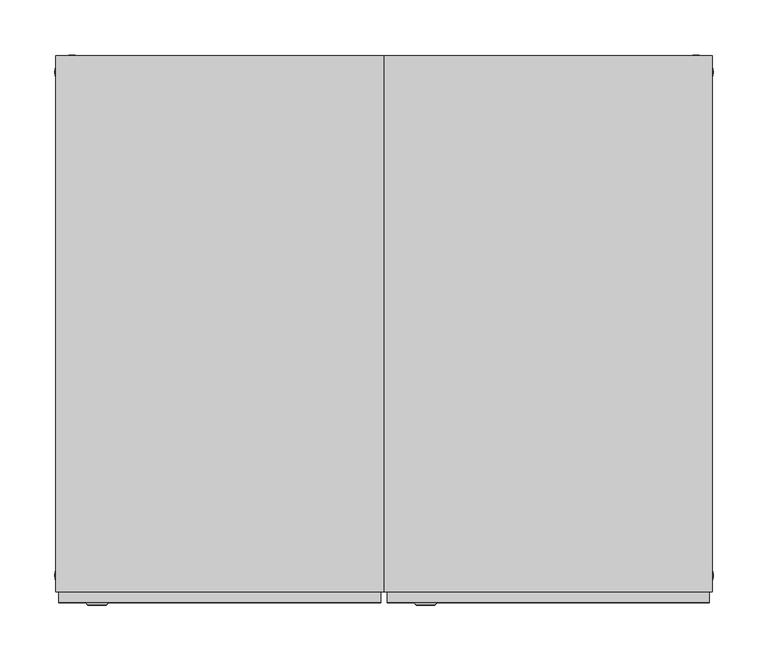
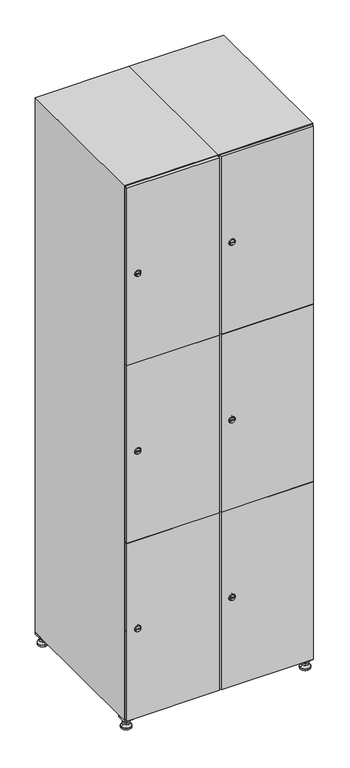
"""IFC4 building model written with IfcOpenShell, lengths in millimetres: furniture geometry."""

from ifc_helpers import new_model, si_unit, point, frame, frame_2d, origin, origin_with_axes, place, context, project, spatial, polyline, circle_curve, trimmed, segment, composite_curve, outline, extrude, faceted_brep, source, transform, mapped, element, save
from ifc_brep_helpers import plane_surface, revolved_surface, advanced_brep


def furniture_bef6fcc5(model_context):
    return source(origin(), model_context, "Body", "SolidModel", [
        extrude(outline(polyline([(400.0, 245.0), (400.0, 215.0), (370.0, 215.0), (370.0, 245.0), (400.0, 245.0)]), holes=[polyline([(398.0, 243.0), (372.0, 243.0), (372.0, 217.0), (398.0, 217.0), (398.0, 243.0)])]), frame((0.0, 0.0, 28.5), z_axis=(0.0, 0.0, 1.0), x_axis=(1.0, 0.0, 0.0)), (0.0, 0.0, 1.0), 6.5),
        extrude(outline(polyline([(370.0, -245.0), (370.0, -215.0), (400.0, -215.0), (400.0, -245.0), (370.0, -245.0)]), holes=[polyline([(372.0, -243.0), (398.0, -243.0), (398.0, -217.0), (372.0, -217.0), (372.0, -243.0)])]), frame((0.0, 0.0, 28.5), z_axis=(0.0, 0.0, 1.0), x_axis=(1.0, 0.0, 0.0)), (0.0, 0.0, 1.0), 6.5),
        extrude(outline(polyline([(-170.0, 245.0), (-170.0, 215.0), (-200.0, 215.0), (-200.0, 245.0), (-170.0, 245.0)]), holes=[polyline([(-172.0, 243.0), (-198.0, 243.0), (-198.0, 217.0), (-172.0, 217.0), (-172.0, 243.0)])]), frame((0.0, 0.0, 28.5), z_axis=(0.0, 0.0, 1.0), x_axis=(1.0, 0.0, 0.0)), (0.0, 0.0, 1.0), 6.5),
        extrude(outline(polyline([(-170.0, -215.0), (-170.0, -245.0), (-200.0, -245.0), (-200.0, -215.0), (-170.0, -215.0)]), holes=[polyline([(-198.0, -243.0), (-172.0, -243.0), (-172.0, -217.0), (-198.0, -217.0), (-198.0, -243.0)])]), frame((0.0, 0.0, 28.5), z_axis=(0.0, 0.0, 1.0), x_axis=(1.0, 0.0, 0.0)), (0.0, 0.0, 1.0), 6.5),
        extrude(outline(composite_curve([segment(trimmed(circle_curve(frame_2d((-185.0, 230.0)), 5.0), [point((-180.0, 230.0))], [point((-190.0, 230.0))], False, "CARTESIAN"), True, "CONTINUOUS"), segment(trimmed(circle_curve(frame_2d((-185.0, 230.0)), 5.0), [point((-190.0, 230.0))], [point((-180.0, 230.0))], False, "CARTESIAN"), True, "CONTINUOUS")], self_intersect=False)), frame((0.0, 0.0, 19.6), z_axis=(0.0, 0.0, 1.0), x_axis=(1.0, 0.0, 0.0)), (0.0, 0.0, 1.0), 15.4),
        extrude(outline(composite_curve([segment(trimmed(circle_curve(frame_2d((-185.0, -230.0)), 5.0), [point((-180.0, -230.0))], [point((-190.0, -230.0))], False, "CARTESIAN"), True, "CONTINUOUS"), segment(trimmed(circle_curve(frame_2d((-185.0, -230.0)), 5.0), [point((-190.0, -230.0))], [point((-180.0, -230.0))], False, "CARTESIAN"), True, "CONTINUOUS")], self_intersect=False)), frame((0.0, 0.0, 19.6), z_axis=(0.0, 0.0, 1.0), x_axis=(1.0, 0.0, 0.0)), (0.0, 0.0, 1.0), 15.4),
        extrude(outline(composite_curve([segment(trimmed(circle_curve(frame_2d((385.0, 230.0)), 5.0), [point((390.0, 230.0))], [point((380.0, 230.0))], False, "CARTESIAN"), True, "CONTINUOUS"), segment(trimmed(circle_curve(frame_2d((385.0, 230.0)), 5.0), [point((380.0, 230.0))], [point((390.0, 230.0))], False, "CARTESIAN"), True, "CONTINUOUS")], self_intersect=False)), frame((0.0, 0.0, 19.6), z_axis=(0.0, 0.0, 1.0), x_axis=(1.0, 0.0, 0.0)), (0.0, 0.0, 1.0), 15.4),
        extrude(outline(polyline([(373.4529946, 230.0), (379.2264973, 240.0), (390.7735027, 240.0), (396.5470054, 230.0), (390.7735027, 220.0), (379.2264973, 220.0), (373.4529946, 230.0)])), frame((0.0, 0.0, 13.6), z_axis=(0.0, 0.0, 1.0), x_axis=(1.0, 0.0, 0.0)), (0.0, 0.0, 1.0), 6.0),
        extrude(outline(composite_curve([segment(trimmed(circle_curve(frame_2d((385.0, -230.0)), 5.0), [point((390.0, -230.0))], [point((380.0, -230.0))], False, "CARTESIAN"), True, "CONTINUOUS"), segment(trimmed(circle_curve(frame_2d((385.0, -230.0)), 5.0), [point((380.0, -230.0))], [point((390.0, -230.0))], False, "CARTESIAN"), True, "CONTINUOUS")], self_intersect=False)), frame((0.0, 0.0, 19.6), z_axis=(0.0, 0.0, 1.0), x_axis=(1.0, 0.0, 0.0)), (0.0, 0.0, 1.0), 15.4),
        extrude(outline(polyline([(373.4529946, -230.0), (379.2264973, -220.0), (390.7735027, -220.0), (396.5470054, -230.0), (390.7735027, -240.0), (379.2264973, -240.0), (373.4529946, -230.0)])), frame((0.0, 0.0, 13.6), z_axis=(0.0, 0.0, 1.0), x_axis=(1.0, 0.0, 0.0)), (0.0, 0.0, 1.0), 6.0),
        extrude(outline(composite_curve([segment(trimmed(circle_curve(frame_2d((385.0, 230.0)), 5.0), [point((390.0, 230.0))], [point((380.0, 230.0))], False, "CARTESIAN"), True, "CONTINUOUS"), segment(trimmed(circle_curve(frame_2d((385.0, 230.0)), 5.0), [point((380.0, 230.0))], [point((390.0, 230.0))], False, "CARTESIAN"), True, "CONTINUOUS")], self_intersect=False)), frame((0.0, 0.0, 12.1), z_axis=(0.0, 0.0, 1.0), x_axis=(1.0, 0.0, 0.0)), (0.0, 0.0, 1.0), 1.5),
        extrude(outline(composite_curve([segment(trimmed(circle_curve(frame_2d((385.0, -230.0)), 5.0), [point((390.0, -230.0))], [point((380.0, -230.0))], False, "CARTESIAN"), True, "CONTINUOUS"), segment(trimmed(circle_curve(frame_2d((385.0, -230.0)), 5.0), [point((380.0, -230.0))], [point((390.0, -230.0))], False, "CARTESIAN"), True, "CONTINUOUS")], self_intersect=False)), frame((0.0, 0.0, 12.1), z_axis=(0.0, 0.0, 1.0), x_axis=(1.0, 0.0, 0.0)), (0.0, 0.0, 1.0), 1.5),
        extrude(outline(polyline([(-196.5470054, 230.0), (-190.7735027, 240.0), (-179.2264973, 240.0), (-173.4529946, 230.0), (-179.2264973, 220.0), (-190.7735027, 220.0), (-196.5470054, 230.0)])), frame((0.0, 0.0, 13.6), z_axis=(0.0, 0.0, 1.0), x_axis=(1.0, 0.0, 0.0)), (0.0, 0.0, 1.0), 6.0),
        extrude(outline(polyline([(-196.5470054, -230.0), (-190.7735027, -220.0), (-179.2264973, -220.0), (-173.4529946, -230.0), (-179.2264973, -240.0), (-190.7735027, -240.0), (-196.5470054, -230.0)])), frame((0.0, 0.0, 13.6), z_axis=(0.0, 0.0, 1.0), x_axis=(1.0, 0.0, 0.0)), (0.0, 0.0, 1.0), 6.0),
        extrude(outline(composite_curve([segment(trimmed(circle_curve(frame_2d((-185.0, 230.0)), 5.0), [point((-185.0, 235.0))], [point((-185.0, 225.0))], False, "CARTESIAN"), True, "CONTINUOUS"), segment(trimmed(circle_curve(frame_2d((-185.0, 230.0)), 5.0), [point((-185.0, 225.0))], [point((-185.0, 235.0))], False, "CARTESIAN"), True, "CONTINUOUS")], self_intersect=False)), frame((0.0, 0.0, 12.1), z_axis=(0.0, 0.0, 1.0), x_axis=(1.0, 0.0, 0.0)), (0.0, 0.0, 1.0), 1.5),
        extrude(outline(composite_curve([segment(trimmed(circle_curve(frame_2d((-185.0, -230.0)), 5.0), [point((-180.0, -230.0))], [point((-190.0, -230.0))], False, "CARTESIAN"), True, "CONTINUOUS"), segment(trimmed(circle_curve(frame_2d((-185.0, -230.0)), 5.0), [point((-190.0, -230.0))], [point((-180.0, -230.0))], False, "CARTESIAN"), True, "CONTINUOUS")], self_intersect=False)), frame((0.0, 0.0, 12.1), z_axis=(0.0, 0.0, 1.0), x_axis=(1.0, 0.0, 0.0)), (0.0, 0.0, 1.0), 1.5),
        extrude(outline(composite_curve([segment(trimmed(circle_curve(frame_2d((385.0, 230.0)), 15.75), [point((400.75, 230.0))], [point((369.25, 230.0))], False, "CARTESIAN"), True, "CONTINUOUS"), segment(trimmed(circle_curve(frame_2d((385.0, 230.0)), 15.75), [point((369.25, 230.0))], [point((400.75, 230.0))], False, "CARTESIAN"), True, "CONTINUOUS")], self_intersect=False)), origin_with_axes(), (0.0, 0.0, 1.0), 5.1),
        extrude(outline(composite_curve([segment(trimmed(circle_curve(frame_2d((385.0, -230.0)), 15.75), [point((385.0, -214.25))], [point((385.0, -245.75))], False, "CARTESIAN"), True, "CONTINUOUS"), segment(trimmed(circle_curve(frame_2d((385.0, -230.0)), 15.75), [point((385.0, -245.75))], [point((385.0, -214.25))], False, "CARTESIAN"), True, "CONTINUOUS")], self_intersect=False)), origin_with_axes(), (0.0, 0.0, 1.0), 5.1),
        extrude(outline(composite_curve([segment(trimmed(circle_curve(frame_2d((-185.0, -230.0)), 15.75), [point((-169.25, -230.0))], [point((-200.75, -230.0))], False, "CARTESIAN"), True, "CONTINUOUS"), segment(trimmed(circle_curve(frame_2d((-185.0, -230.0)), 15.75), [point((-200.75, -230.0))], [point((-169.25, -230.0))], False, "CARTESIAN"), True, "CONTINUOUS")], self_intersect=False)), origin_with_axes(), (0.0, 0.0, 1.0), 5.1),
        extrude(outline(composite_curve([segment(trimmed(circle_curve(frame_2d((-185.0, 230.0)), 15.75), [point((-169.25, 230.0))], [point((-200.75, 230.0))], False, "CARTESIAN"), True, "CONTINUOUS"), segment(trimmed(circle_curve(frame_2d((-185.0, 230.0)), 15.75), [point((-200.75, 230.0))], [point((-169.25, 230.0))], False, "CARTESIAN"), True, "CONTINUOUS")], self_intersect=False)), origin_with_axes(), (0.0, 0.0, 1.0), 5.1),
        advanced_brep(
        [(-185.0, 239.5, 12.1), (-185.0, 220.5, 12.1), (-185.0, 214.25, 5.1), (-185.0, 245.75, 5.1)],
        [
            (0, 1, circle_curve(frame((-185.0, 230.0, 12.1), z_axis=(0.0, 0.0, -1.0), x_axis=(0.0, 1.0, 0.0)), 9.5)),
            (1, 2),
            (2, 3, circle_curve(frame((-185.0, 230.0, 5.1), z_axis=(0.0, 0.0, 1.0), x_axis=(0.0, 1.0, 0.0)), 15.75)),
            (3, 0),
            (1, 0, circle_curve(frame((-185.0, 230.0, 12.1), z_axis=(0.0, 0.0, -1.0), x_axis=(0.0, -1.0, 0.0)), 9.5)),
            (3, 2, circle_curve(frame((-185.0, 230.0, 5.1), z_axis=(0.0, 0.0, 1.0), x_axis=(0.0, -1.0, 0.0)), 15.75)),
        ],
        [
            revolved_surface(polyline([(-185.0, 220.5, 12.099999999999998), (-185.0, 214.25, 5.099999999999998)]), (-185.0, 230.0, 22.74), (0.0, 0.0, -1.0)),
            revolved_surface(polyline([(-185.0, 239.5, 12.099999999999998), (-185.0, 245.75, 5.099999999999998)]), (-185.0, 230.0, 22.74), (0.0, 0.0, -1.0)),
            plane_surface(frame((-185.0, 230.0, 5.1), z_axis=(0.0, 0.0, -1.0), x_axis=(1.0, 0.0, 0.0))),
            plane_surface(frame((-185.0, 230.0, 12.1), z_axis=(0.0, 0.0, 1.0), x_axis=(1.0, 0.0, 0.0))),
        ],
        [
            (0, [[1, 2, 3, 4]]),
            (1, [[5, -4, 6, -2]]),
            (2, [[-3, -6]]),
            (3, [[-5, -1]]),
        ],
    ),
        advanced_brep(
        [(385.0, 239.5, 12.1), (385.0, 220.5, 12.1), (385.0, 214.25, 5.1), (385.0, 245.75, 5.1)],
        [
            (0, 1, circle_curve(frame((385.0, 230.0, 12.1), z_axis=(0.0, 0.0, -1.0), x_axis=(0.0, 1.0, 0.0)), 9.5)),
            (1, 2),
            (2, 3, circle_curve(frame((385.0, 230.0, 5.1), z_axis=(0.0, 0.0, 1.0), x_axis=(0.0, 1.0, 0.0)), 15.75)),
            (3, 0),
            (1, 0, circle_curve(frame((385.0, 230.0, 12.1), z_axis=(0.0, 0.0, -1.0), x_axis=(0.0, -1.0, 0.0)), 9.5)),
            (3, 2, circle_curve(frame((385.0, 230.0, 5.1), z_axis=(0.0, 0.0, 1.0), x_axis=(0.0, -1.0, 0.0)), 15.75)),
        ],
        [
            revolved_surface(polyline([(385.0, 220.5, 12.099999999999998), (385.0, 214.25, 5.099999999999998)]), (385.0, 230.0, 22.74), (0.0, 0.0, -1.0)),
            revolved_surface(polyline([(385.0, 239.5, 12.099999999999998), (385.0, 245.75, 5.099999999999998)]), (385.0, 230.0, 22.74), (0.0, 0.0, -1.0)),
            plane_surface(frame((385.0, 230.0, 5.1), z_axis=(0.0, 0.0, -1.0), x_axis=(1.0, 0.0, 0.0))),
            plane_surface(frame((385.0, 230.0, 12.1), z_axis=(0.0, 0.0, 1.0), x_axis=(1.0, 0.0, 0.0))),
        ],
        [
            (0, [[1, 2, 3, 4]]),
            (1, [[5, -4, 6, -2]]),
            (2, [[-3, -6]]),
            (3, [[-5, -1]]),
        ],
    ),
        advanced_brep(
        [(400.75, -230.0, 5.1), (369.25, -230.0, 5.1), (375.5, -230.0, 12.1), (394.5, -230.0, 12.1)],
        [
            (0, 1, circle_curve(frame((385.0, -230.0, 5.1), z_axis=(0.0, 0.0, 1.0), x_axis=(1.0, 0.0, 0.0)), 15.75)),
            (1, 2),
            (2, 3, circle_curve(frame((385.0, -230.0, 12.1), z_axis=(0.0, 0.0, -1.0), x_axis=(1.0, 0.0, 0.0)), 9.5)),
            (3, 0),
            (1, 0, circle_curve(frame((385.0, -230.0, 5.1), z_axis=(0.0, 0.0, 1.0), x_axis=(-1.0, 0.0, 0.0)), 15.75)),
            (3, 2, circle_curve(frame((385.0, -230.0, 12.1), z_axis=(0.0, 0.0, -1.0), x_axis=(-1.0, 0.0, 0.0)), 9.5)),
        ],
        [
            revolved_surface(polyline([(394.5, -230.0, 12.099999999999998), (400.75, -230.0, 5.099999999999998)]), (385.0, -230.0, 22.74), (0.0, 0.0, -1.0)),
            revolved_surface(polyline([(375.5, -230.0, 12.099999999999998), (369.25, -230.0, 5.099999999999998)]), (385.0, -230.0, 22.74), (0.0, 0.0, -1.0)),
            plane_surface(frame((385.0, -230.0, 12.1), z_axis=(0.0, 0.0, 1.0), x_axis=(0.0, 1.0, 0.0))),
            plane_surface(frame((385.0, -230.0, 5.1), z_axis=(0.0, 0.0, -1.0), x_axis=(0.0, 1.0, 0.0))),
        ],
        [
            (0, [[1, 2, 3, 4]]),
            (1, [[5, -4, 6, -2]]),
            (2, [[-3, -6]]),
            (3, [[-5, -1]]),
        ],
    ),
        advanced_brep(
        [(-169.25, -230.0, 5.1), (-200.75, -230.0, 5.1), (-194.5, -230.0, 12.1), (-175.5, -230.0, 12.1)],
        [
            (0, 1, circle_curve(frame((-185.0, -230.0, 5.1), z_axis=(0.0, 0.0, 1.0), x_axis=(1.0, 0.0, 0.0)), 15.75)),
            (1, 2),
            (2, 3, circle_curve(frame((-185.0, -230.0, 12.1), z_axis=(0.0, 0.0, -1.0), x_axis=(1.0, 0.0, 0.0)), 9.5)),
            (3, 0),
            (1, 0, circle_curve(frame((-185.0, -230.0, 5.1), z_axis=(0.0, 0.0, 1.0), x_axis=(-1.0, 0.0, 0.0)), 15.75)),
            (3, 2, circle_curve(frame((-185.0, -230.0, 12.1), z_axis=(0.0, 0.0, -1.0), x_axis=(-1.0, 0.0, 0.0)), 9.5)),
        ],
        [
            revolved_surface(polyline([(-175.5, -230.0, 12.099999999999998), (-169.25, -230.0, 5.099999999999998)]), (-185.0, -230.0, 22.74), (0.0, 0.0, -1.0)),
            revolved_surface(polyline([(-194.5, -230.0, 12.099999999999998), (-200.75, -230.0, 5.099999999999998)]), (-185.0, -230.0, 22.74), (0.0, 0.0, -1.0)),
            plane_surface(frame((-185.0, -230.0, 12.1), z_axis=(0.0, 0.0, 1.0), x_axis=(0.0, 1.0, 0.0))),
            plane_surface(frame((-185.0, -230.0, 5.1), z_axis=(0.0, 0.0, -1.0), x_axis=(0.0, 1.0, 0.0))),
        ],
        [
            (0, [[1, 2, 3, 4]]),
            (1, [[5, -4, 6, -2]]),
            (2, [[-3, -6]]),
            (3, [[-5, -1]]),
        ],
    ),
        extrude(outline(composite_curve([segment(trimmed(circle_curve(frame_2d((337.0, 111.2010534)), 7.0), [point((344.0, 111.2010534))], [point((330.0, 111.2010534))], False, "CARTESIAN"), True, "CONTINUOUS"), segment(polyline([(330.0, 111.2010534), (330.0, 139.2010534)]), True, "CONTINUOUS"), segment(trimmed(circle_curve(frame_2d((337.0, 139.2010534)), 7.0), [point((330.0, 139.2010534))], [point((344.0, 139.2010534))], False, "CARTESIAN"), True, "CONTINUOUS"), segment(polyline([(344.0, 139.2010534), (344.0, 111.2010534)]), True, "CONTINUOUS")], self_intersect=False)), frame((0.0, -245.0, 0.0), z_axis=(0.0, 1.0, 0.0), x_axis=(0.0, 0.0, 1.0)), (0.0, 0.0, 1.0), 2.0),
        advanced_brep(
        [(146.5, -257.2, 337.0), (129.5, -257.2, 337.0), (133.0, -257.2, 335.75), (133.0, -257.2, 338.25), (143.0, -257.2, 338.25), (143.0, -257.2, 335.75), (148.5, -255.0, 337.0), (127.5, -255.0, 337.0), (133.0, -255.0, 338.25), (133.0, -255.0, 335.75), (143.0, -255.0, 335.75), (143.0, -255.0, 338.25)],
        [
            (0, 1, circle_curve(frame((138.0, -257.2, 337.0), z_axis=(0.0, -1.0, 0.0), x_axis=(1.0, 0.0, 0.0)), 8.5)),
            (1, 0, circle_curve(frame((138.0, -257.2, 337.0), z_axis=(0.0, -1.0, 0.0), x_axis=(-1.0, 0.0, 0.0)), 8.5)),
            (2, 3),
            (3, 4),
            (4, 5),
            (5, 2),
            (6, 7, circle_curve(frame((138.0, -255.0, 337.0), z_axis=(0.0, 1.0, 0.0), x_axis=(-1.0, 0.0, 0.0)), 10.5)),
            (7, 6, circle_curve(frame((138.0, -255.0, 337.0), z_axis=(0.0, 1.0, 0.0), x_axis=(1.0, 0.0, 0.0)), 10.5)),
            (8, 9),
            (9, 10),
            (10, 11),
            (11, 8),
            (0, 6),
            (7, 1),
            (8, 3),
            (2, 9),
            (11, 4),
            (10, 5),
        ],
        [
            plane_surface(frame((138.0, -257.2, 337.0), z_axis=(0.0, -1.0, 0.0), x_axis=(0.0, 0.0, 1.0))),
            plane_surface(frame((138.0, -255.0, 337.0), z_axis=(0.0, 1.0, 0.0), x_axis=(0.0, 0.0, 1.0))),
            revolved_surface(polyline([(146.5, -257.2, 337.0), (148.5, -255.0, 337.0)]), (138.0, -266.55, 337.0), (0.0, 1.0, 0.0)),
            revolved_surface(polyline([(129.5, -257.2, 337.0), (127.5, -255.0, 337.0)]), (138.0, -266.55, 337.0), (0.0, 1.0, 0.0)),
            plane_surface(frame((133.0, -255.0, 335.75), z_axis=(1.0, 0.0, 0.0), x_axis=(0.0, -1.0, 0.0))),
            plane_surface(frame((133.0, -255.0, 338.25), z_axis=(0.0, 0.0, -1.0), x_axis=(0.0, -1.0, 0.0))),
            plane_surface(frame((143.0, -255.0, 338.25), z_axis=(-1.0, 0.0, 0.0), x_axis=(0.0, -1.0, 0.0))),
            plane_surface(frame((143.0, -255.0, 335.75), z_axis=(0.0, 0.0, 1.0), x_axis=(0.0, -1.0, 0.0))),
        ],
        [
            (0, [[1, 2], [3, 4, 5, 6]]),
            (1, [[7, 8], [9, 10, 11, 12]]),
            (2, [[-1, 13, -8, 14]]),
            (3, [[-2, -14, -7, -13]]),
            (4, [[15, -3, 16, -9]]),
            (5, [[-15, -12, 17, -4]]),
            (6, [[-17, -11, 18, -5]]),
            (7, [[-16, -6, -18, -10]]),
        ],
    ),
        extrude(outline(composite_curve([segment(trimmed(circle_curve(frame_2d((935.0, 111.2010534)), 7.0), [point((942.0, 111.2010534))], [point((928.0, 111.2010534))], False, "CARTESIAN"), True, "CONTINUOUS"), segment(polyline([(928.0, 111.2010534), (928.0, 139.2010534)]), True, "CONTINUOUS"), segment(trimmed(circle_curve(frame_2d((935.0, 139.2010534)), 7.0), [point((928.0, 139.2010534))], [point((942.0, 139.2010534))], False, "CARTESIAN"), True, "CONTINUOUS"), segment(polyline([(942.0, 139.2010534), (942.0, 111.2010534)]), True, "CONTINUOUS")], self_intersect=False)), frame((0.0, -245.0, 0.0), z_axis=(0.0, 1.0, 0.0), x_axis=(0.0, 0.0, 1.0)), (0.0, 0.0, 1.0), 2.0),
        advanced_brep(
        [(146.5, -257.2, 935.0), (129.5, -257.2, 935.0), (133.0, -257.2, 933.75), (133.0, -257.2, 936.25), (143.0, -257.2, 936.25), (143.0, -257.2, 933.75), (148.5, -255.0, 935.0), (127.5, -255.0, 935.0), (133.0, -255.0, 936.25), (133.0, -255.0, 933.75), (143.0, -255.0, 933.75), (143.0, -255.0, 936.25)],
        [
            (0, 1, circle_curve(frame((138.0, -257.2, 935.0), z_axis=(0.0, -1.0, 0.0), x_axis=(1.0, 0.0, 0.0)), 8.5)),
            (1, 0, circle_curve(frame((138.0, -257.2, 935.0), z_axis=(0.0, -1.0, 0.0), x_axis=(-1.0, 0.0, 0.0)), 8.5)),
            (2, 3),
            (3, 4),
            (4, 5),
            (5, 2),
            (6, 7, circle_curve(frame((138.0, -255.0, 935.0), z_axis=(0.0, 1.0, 0.0), x_axis=(-1.0, 0.0, 0.0)), 10.5)),
            (7, 6, circle_curve(frame((138.0, -255.0, 935.0), z_axis=(0.0, 1.0, 0.0), x_axis=(1.0, 0.0, 0.0)), 10.5)),
            (8, 9),
            (9, 10),
            (10, 11),
            (11, 8),
            (0, 6),
            (7, 1),
            (8, 3),
            (2, 9),
            (11, 4),
            (10, 5),
        ],
        [
            plane_surface(frame((138.0, -257.2, 935.0), z_axis=(0.0, -1.0, 0.0), x_axis=(0.0, 0.0, 1.0))),
            plane_surface(frame((138.0, -255.0, 935.0), z_axis=(0.0, 1.0, 0.0), x_axis=(0.0, 0.0, 1.0))),
            revolved_surface(polyline([(146.5, -257.2, 935.0), (148.5, -255.0, 935.0)]), (138.0, -266.55, 935.0), (0.0, 1.0, 0.0)),
            revolved_surface(polyline([(129.5, -257.2, 935.0), (127.5, -255.0, 935.0)]), (138.0, -266.55, 935.0), (0.0, 1.0, 0.0)),
            plane_surface(frame((133.0, -255.0, 933.75), z_axis=(1.0, 0.0, 0.0), x_axis=(0.0, -1.0, 0.0))),
            plane_surface(frame((133.0, -255.0, 936.25), z_axis=(0.0, 0.0, -1.0), x_axis=(0.0, -1.0, 0.0))),
            plane_surface(frame((143.0, -255.0, 936.25), z_axis=(-1.0, 0.0, 0.0), x_axis=(0.0, -1.0, 0.0))),
            plane_surface(frame((143.0, -255.0, 933.75), z_axis=(0.0, 0.0, 1.0), x_axis=(0.0, -1.0, 0.0))),
        ],
        [
            (0, [[1, 2], [3, 4, 5, 6]]),
            (1, [[7, 8], [9, 10, 11, 12]]),
            (2, [[-1, 13, -8, 14]]),
            (3, [[-2, -14, -7, -13]]),
            (4, [[15, -3, 16, -9]]),
            (5, [[-15, -12, 17, -4]]),
            (6, [[-17, -11, 18, -5]]),
            (7, [[-16, -6, -18, -10]]),
        ],
    ),
        extrude(outline(composite_curve([segment(trimmed(circle_curve(frame_2d((1533.0, 111.2010534)), 7.0), [point((1540.0, 111.2010534))], [point((1526.0, 111.2010534))], False, "CARTESIAN"), True, "CONTINUOUS"), segment(polyline([(1526.0, 111.2010534), (1526.0, 139.2010534)]), True, "CONTINUOUS"), segment(trimmed(circle_curve(frame_2d((1533.0, 139.2010534)), 7.0), [point((1526.0, 139.2010534))], [point((1540.0, 139.2010534))], False, "CARTESIAN"), True, "CONTINUOUS"), segment(polyline([(1540.0, 139.2010534), (1540.0, 111.2010534)]), True, "CONTINUOUS")], self_intersect=False)), frame((0.0, -245.0, 0.0), z_axis=(0.0, 1.0, 0.0), x_axis=(0.0, 0.0, 1.0)), (0.0, 0.0, 1.0), 2.0),
        advanced_brep(
        [(146.5, -257.2, 1533.0), (129.5, -257.2, 1533.0), (133.0, -257.2, 1531.75), (133.0, -257.2, 1534.25), (143.0, -257.2, 1534.25), (143.0, -257.2, 1531.75), (148.5, -255.0, 1533.0), (127.5, -255.0, 1533.0), (133.0, -255.0, 1534.25), (133.0, -255.0, 1531.75), (143.0, -255.0, 1531.75), (143.0, -255.0, 1534.25)],
        [
            (0, 1, circle_curve(frame((138.0, -257.2, 1533.0), z_axis=(0.0, -1.0, 0.0), x_axis=(1.0, 0.0, 0.0)), 8.5)),
            (1, 0, circle_curve(frame((138.0, -257.2, 1533.0), z_axis=(0.0, -1.0, 0.0), x_axis=(-1.0, 0.0, 0.0)), 8.5)),
            (2, 3),
            (3, 4),
            (4, 5),
            (5, 2),
            (6, 7, circle_curve(frame((138.0, -255.0, 1533.0), z_axis=(0.0, 1.0, 0.0), x_axis=(-1.0, 0.0, 0.0)), 10.5)),
            (7, 6, circle_curve(frame((138.0, -255.0, 1533.0), z_axis=(0.0, 1.0, 0.0), x_axis=(1.0, 0.0, 0.0)), 10.5)),
            (8, 9),
            (9, 10),
            (10, 11),
            (11, 8),
            (0, 6),
            (7, 1),
            (8, 3),
            (2, 9),
            (11, 4),
            (10, 5),
        ],
        [
            plane_surface(frame((138.0, -257.2, 1533.0), z_axis=(0.0, -1.0, 0.0), x_axis=(0.0, 0.0, 1.0))),
            plane_surface(frame((138.0, -255.0, 1533.0), z_axis=(0.0, 1.0, 0.0), x_axis=(0.0, 0.0, 1.0))),
            revolved_surface(polyline([(146.5, -257.2, 1533.0), (148.5, -255.0, 1533.0)]), (138.0, -266.55, 1533.0), (0.0, 1.0, 0.0)),
            revolved_surface(polyline([(129.5, -257.2, 1533.0), (127.5, -255.0, 1533.0)]), (138.0, -266.55, 1533.0), (0.0, 1.0, 0.0)),
            plane_surface(frame((133.0, -255.0, 1531.75), z_axis=(1.0, 0.0, 0.0), x_axis=(0.0, -1.0, 0.0))),
            plane_surface(frame((133.0, -255.0, 1534.25), z_axis=(0.0, 0.0, -1.0), x_axis=(0.0, -1.0, 0.0))),
            plane_surface(frame((143.0, -255.0, 1534.25), z_axis=(-1.0, 0.0, 0.0), x_axis=(0.0, -1.0, 0.0))),
            plane_surface(frame((143.0, -255.0, 1531.75), z_axis=(0.0, 0.0, 1.0), x_axis=(0.0, -1.0, 0.0))),
        ],
        [
            (0, [[1, 2], [3, 4, 5, 6]]),
            (1, [[7, 8], [9, 10, 11, 12]]),
            (2, [[-1, 13, -8, 14]]),
            (3, [[-2, -14, -7, -13]]),
            (4, [[15, -3, 16, -9]]),
            (5, [[-15, -12, 17, -4]]),
            (6, [[-17, -11, 18, -5]]),
            (7, [[-16, -6, -18, -10]]),
        ],
    ),
        extrude(outline(polyline([(397.0, -245.0), (397.0, -255.0), (103.0, -255.0), (103.0, -245.0), (397.0, -245.0)])), frame((0.0, 0.0, 636.5), z_axis=(0.0, 0.0, 1.0), x_axis=(1.0, 0.0, 0.0)), (0.0, 0.0, 1.0), 597.0),
        extrude(outline(polyline([(103.0, -255.0), (103.0, -245.0), (397.0, -245.0), (397.0, -255.0), (103.0, -255.0)])), frame((0.0, 0.0, 1234.5), z_axis=(0.0, 0.0, 1.0), x_axis=(1.0, 0.0, 0.0)), (0.0, 0.0, 1.0), 597.5),
        extrude(outline(polyline([(397.0, -245.0), (397.0, -255.0), (103.0, -255.0), (103.0, -245.0), (397.0, -245.0)])), frame((0.0, 0.0, 38.0), z_axis=(0.0, 0.0, 1.0), x_axis=(1.0, 0.0, 0.0)), (0.0, 0.0, 1.0), 597.5),
        extrude(outline(polyline([(379.6, 242.0), (379.6, -235.0), (120.4, -235.0), (120.4, 242.0), (379.6, 242.0)])), frame((0.0, 0.0, 1214.7333333), z_axis=(0.0, 0.0, 1.0), x_axis=(1.0, 0.0, 0.0)), (0.0, 0.0, 1.0), 20.4),
        extrude(outline(polyline([(120.4, 242.0), (379.6, 242.0), (379.6, -235.0), (120.4, -235.0), (120.4, 242.0)])), frame((0.0, 0.0, 634.8666667), z_axis=(0.0, 0.0, 1.0), x_axis=(1.0, 0.0, 0.0)), (0.0, 0.0, 1.0), 20.4),
        faceted_brep([(400.0, -245.0, 35.0), (400.0, -245.0, 1835.0), (100.0, -245.0, 1835.0), (100.0, -245.0, 35.0), (379.6, -245.0, 1804.8), (379.6, -245.0, 65.2), (120.4, -245.0, 65.2), (120.4, -245.0, 1804.8), (400.0, 245.0, 35.0), (100.0, 245.0, 35.0), (400.0, 245.0, 1835.0), (100.0, 245.0, 1835.0), (379.6, 242.0, 1804.8), (379.6, 242.0, 65.2), (100.0, 245.0, 1804.8), (120.4, 242.0, 1804.8), (120.4, 242.0, 65.2)], [[[0, 1, 2, 3], [4, 5, 6, 7]], [[8, 0, 3, 9]], [[1, 0, 8, 10]], [[1, 10, 11, 2]], [[4, 12, 13, 5]], [[9, 3, 2, 11, 14]], [[10, 8, 9, 14, 11]], [[12, 15, 16, 13]], [[15, 7, 6, 16]], [[4, 7, 15, 12]], [[6, 5, 13, 16]]]),
        extrude(outline(composite_curve([segment(trimmed(circle_curve(frame_2d((337.0, -188.7989466)), 7.0), [point((344.0, -188.7989466))], [point((330.0, -188.7989466))], False, "CARTESIAN"), True, "CONTINUOUS"), segment(polyline([(330.0, -188.7989466), (330.0, -160.7989466)]), True, "CONTINUOUS"), segment(trimmed(circle_curve(frame_2d((337.0, -160.7989466)), 7.0), [point((330.0, -160.7989466))], [point((344.0, -160.7989466))], False, "CARTESIAN"), True, "CONTINUOUS"), segment(polyline([(344.0, -160.7989466), (344.0, -188.7989466)]), True, "CONTINUOUS")], self_intersect=False)), frame((0.0, -245.0, 0.0), z_axis=(0.0, 1.0, 0.0), x_axis=(0.0, 0.0, 1.0)), (0.0, 0.0, 1.0), 2.0),
        advanced_brep(
        [(-153.5, -257.2, 337.0), (-170.5, -257.2, 337.0), (-167.0, -257.2, 335.75), (-167.0, -257.2, 338.25), (-157.0, -257.2, 338.25), (-157.0, -257.2, 335.75), (-151.5, -255.0, 337.0), (-172.5, -255.0, 337.0), (-167.0, -255.0, 338.25), (-167.0, -255.0, 335.75), (-157.0, -255.0, 335.75), (-157.0, -255.0, 338.25)],
        [
            (0, 1, circle_curve(frame((-162.0, -257.2, 337.0), z_axis=(0.0, -1.0, 0.0), x_axis=(1.0, 0.0, 0.0)), 8.5)),
            (1, 0, circle_curve(frame((-162.0, -257.2, 337.0), z_axis=(0.0, -1.0, 0.0), x_axis=(-1.0, 0.0, 0.0)), 8.5)),
            (2, 3),
            (3, 4),
            (4, 5),
            (5, 2),
            (6, 7, circle_curve(frame((-162.0, -255.0, 337.0), z_axis=(0.0, 1.0, 0.0), x_axis=(-1.0, 0.0, 0.0)), 10.5)),
            (7, 6, circle_curve(frame((-162.0, -255.0, 337.0), z_axis=(0.0, 1.0, 0.0), x_axis=(1.0, 0.0, 0.0)), 10.5)),
            (8, 9),
            (9, 10),
            (10, 11),
            (11, 8),
            (0, 6),
            (7, 1),
            (8, 3),
            (2, 9),
            (11, 4),
            (10, 5),
        ],
        [
            plane_surface(frame((-162.0, -257.2, 337.0), z_axis=(0.0, -1.0, 0.0), x_axis=(0.0, 0.0, 1.0))),
            plane_surface(frame((-162.0, -255.0, 337.0), z_axis=(0.0, 1.0, 0.0), x_axis=(0.0, 0.0, 1.0))),
            revolved_surface(polyline([(-153.5, -257.2, 337.0), (-151.5, -255.0, 337.0)]), (-162.0, -266.55, 337.0), (0.0, 1.0, 0.0)),
            revolved_surface(polyline([(-170.5, -257.2, 337.0), (-172.5, -255.0, 337.0)]), (-162.0, -266.55, 337.0), (0.0, 1.0, 0.0)),
            plane_surface(frame((-167.0, -255.0, 335.75), z_axis=(1.0, 0.0, 0.0), x_axis=(0.0, -1.0, 0.0))),
            plane_surface(frame((-167.0, -255.0, 338.25), z_axis=(0.0, 0.0, -1.0), x_axis=(0.0, -1.0, 0.0))),
            plane_surface(frame((-157.0, -255.0, 338.25), z_axis=(-1.0, 0.0, 0.0), x_axis=(0.0, -1.0, 0.0))),
            plane_surface(frame((-157.0, -255.0, 335.75), z_axis=(0.0, 0.0, 1.0), x_axis=(0.0, -1.0, 0.0))),
        ],
        [
            (0, [[1, 2], [3, 4, 5, 6]]),
            (1, [[7, 8], [9, 10, 11, 12]]),
            (2, [[-1, 13, -8, 14]]),
            (3, [[-2, -14, -7, -13]]),
            (4, [[15, -3, 16, -9]]),
            (5, [[-15, -12, 17, -4]]),
            (6, [[-17, -11, 18, -5]]),
            (7, [[-16, -6, -18, -10]]),
        ],
    ),
        extrude(outline(composite_curve([segment(trimmed(circle_curve(frame_2d((935.0, -188.7989466)), 7.0), [point((942.0, -188.7989466))], [point((928.0, -188.7989466))], False, "CARTESIAN"), True, "CONTINUOUS"), segment(polyline([(928.0, -188.7989466), (928.0, -160.7989466)]), True, "CONTINUOUS"), segment(trimmed(circle_curve(frame_2d((935.0, -160.7989466)), 7.0), [point((928.0, -160.7989466))], [point((942.0, -160.7989466))], False, "CARTESIAN"), True, "CONTINUOUS"), segment(polyline([(942.0, -160.7989466), (942.0, -188.7989466)]), True, "CONTINUOUS")], self_intersect=False)), frame((0.0, -245.0, 0.0), z_axis=(0.0, 1.0, 0.0), x_axis=(0.0, 0.0, 1.0)), (0.0, 0.0, 1.0), 2.0),
        advanced_brep(
        [(-153.5, -257.2, 935.0), (-170.5, -257.2, 935.0), (-167.0, -257.2, 933.75), (-167.0, -257.2, 936.25), (-157.0, -257.2, 936.25), (-157.0, -257.2, 933.75), (-151.5, -255.0, 935.0), (-172.5, -255.0, 935.0), (-167.0, -255.0, 936.25), (-167.0, -255.0, 933.75), (-157.0, -255.0, 933.75), (-157.0, -255.0, 936.25)],
        [
            (0, 1, circle_curve(frame((-162.0, -257.2, 935.0), z_axis=(0.0, -1.0, 0.0), x_axis=(1.0, 0.0, 0.0)), 8.5)),
            (1, 0, circle_curve(frame((-162.0, -257.2, 935.0), z_axis=(0.0, -1.0, 0.0), x_axis=(-1.0, 0.0, 0.0)), 8.5)),
            (2, 3),
            (3, 4),
            (4, 5),
            (5, 2),
            (6, 7, circle_curve(frame((-162.0, -255.0, 935.0), z_axis=(0.0, 1.0, 0.0), x_axis=(-1.0, 0.0, 0.0)), 10.5)),
            (7, 6, circle_curve(frame((-162.0, -255.0, 935.0), z_axis=(0.0, 1.0, 0.0), x_axis=(1.0, 0.0, 0.0)), 10.5)),
            (8, 9),
            (9, 10),
            (10, 11),
            (11, 8),
            (0, 6),
            (7, 1),
            (8, 3),
            (2, 9),
            (11, 4),
            (10, 5),
        ],
        [
            plane_surface(frame((-162.0, -257.2, 935.0), z_axis=(0.0, -1.0, 0.0), x_axis=(0.0, 0.0, 1.0))),
            plane_surface(frame((-162.0, -255.0, 935.0), z_axis=(0.0, 1.0, 0.0), x_axis=(0.0, 0.0, 1.0))),
            revolved_surface(polyline([(-153.5, -257.2, 935.0), (-151.5, -255.0, 935.0)]), (-162.0, -266.55, 935.0), (0.0, 1.0, 0.0)),
            revolved_surface(polyline([(-170.5, -257.2, 935.0), (-172.5, -255.0, 935.0)]), (-162.0, -266.55, 935.0), (0.0, 1.0, 0.0)),
            plane_surface(frame((-167.0, -255.0, 933.75), z_axis=(1.0, 0.0, 0.0), x_axis=(0.0, -1.0, 0.0))),
            plane_surface(frame((-167.0, -255.0, 936.25), z_axis=(0.0, 0.0, -1.0), x_axis=(0.0, -1.0, 0.0))),
            plane_surface(frame((-157.0, -255.0, 936.25), z_axis=(-1.0, 0.0, 0.0), x_axis=(0.0, -1.0, 0.0))),
            plane_surface(frame((-157.0, -255.0, 933.75), z_axis=(0.0, 0.0, 1.0), x_axis=(0.0, -1.0, 0.0))),
        ],
        [
            (0, [[1, 2], [3, 4, 5, 6]]),
            (1, [[7, 8], [9, 10, 11, 12]]),
            (2, [[-1, 13, -8, 14]]),
            (3, [[-2, -14, -7, -13]]),
            (4, [[15, -3, 16, -9]]),
            (5, [[-15, -12, 17, -4]]),
            (6, [[-17, -11, 18, -5]]),
            (7, [[-16, -6, -18, -10]]),
        ],
    ),
        extrude(outline(composite_curve([segment(trimmed(circle_curve(frame_2d((1533.0, -188.7989466)), 7.0), [point((1540.0, -188.7989466))], [point((1526.0, -188.7989466))], False, "CARTESIAN"), True, "CONTINUOUS"), segment(polyline([(1526.0, -188.7989466), (1526.0, -160.7989466)]), True, "CONTINUOUS"), segment(trimmed(circle_curve(frame_2d((1533.0, -160.7989466)), 7.0), [point((1526.0, -160.7989466))], [point((1540.0, -160.7989466))], False, "CARTESIAN"), True, "CONTINUOUS"), segment(polyline([(1540.0, -160.7989466), (1540.0, -188.7989466)]), True, "CONTINUOUS")], self_intersect=False)), frame((0.0, -245.0, 0.0), z_axis=(0.0, 1.0, 0.0), x_axis=(0.0, 0.0, 1.0)), (0.0, 0.0, 1.0), 2.0),
        advanced_brep(
        [(-153.5, -257.2, 1533.0), (-170.5, -257.2, 1533.0), (-167.0, -257.2, 1531.75), (-167.0, -257.2, 1534.25), (-157.0, -257.2, 1534.25), (-157.0, -257.2, 1531.75), (-151.5, -255.0, 1533.0), (-172.5, -255.0, 1533.0), (-167.0, -255.0, 1534.25), (-167.0, -255.0, 1531.75), (-157.0, -255.0, 1531.75), (-157.0, -255.0, 1534.25)],
        [
            (0, 1, circle_curve(frame((-162.0, -257.2, 1533.0), z_axis=(0.0, -1.0, 0.0), x_axis=(1.0, 0.0, 0.0)), 8.5)),
            (1, 0, circle_curve(frame((-162.0, -257.2, 1533.0), z_axis=(0.0, -1.0, 0.0), x_axis=(-1.0, 0.0, 0.0)), 8.5)),
            (2, 3),
            (3, 4),
            (4, 5),
            (5, 2),
            (6, 7, circle_curve(frame((-162.0, -255.0, 1533.0), z_axis=(0.0, 1.0, 0.0), x_axis=(-1.0, 0.0, 0.0)), 10.5)),
            (7, 6, circle_curve(frame((-162.0, -255.0, 1533.0), z_axis=(0.0, 1.0, 0.0), x_axis=(1.0, 0.0, 0.0)), 10.5)),
            (8, 9),
            (9, 10),
            (10, 11),
            (11, 8),
            (0, 6),
            (7, 1),
            (8, 3),
            (2, 9),
            (11, 4),
            (10, 5),
        ],
        [
            plane_surface(frame((-162.0, -257.2, 1533.0), z_axis=(0.0, -1.0, 0.0), x_axis=(0.0, 0.0, 1.0))),
            plane_surface(frame((-162.0, -255.0, 1533.0), z_axis=(0.0, 1.0, 0.0), x_axis=(0.0, 0.0, 1.0))),
            revolved_surface(polyline([(-153.5, -257.2, 1533.0), (-151.5, -255.0, 1533.0)]), (-162.0, -266.55, 1533.0), (0.0, 1.0, 0.0)),
            revolved_surface(polyline([(-170.5, -257.2, 1533.0), (-172.5, -255.0, 1533.0)]), (-162.0, -266.55, 1533.0), (0.0, 1.0, 0.0)),
            plane_surface(frame((-167.0, -255.0, 1531.75), z_axis=(1.0, 0.0, 0.0), x_axis=(0.0, -1.0, 0.0))),
            plane_surface(frame((-167.0, -255.0, 1534.25), z_axis=(0.0, 0.0, -1.0), x_axis=(0.0, -1.0, 0.0))),
            plane_surface(frame((-157.0, -255.0, 1534.25), z_axis=(-1.0, 0.0, 0.0), x_axis=(0.0, -1.0, 0.0))),
            plane_surface(frame((-157.0, -255.0, 1531.75), z_axis=(0.0, 0.0, 1.0), x_axis=(0.0, -1.0, 0.0))),
        ],
        [
            (0, [[1, 2], [3, 4, 5, 6]]),
            (1, [[7, 8], [9, 10, 11, 12]]),
            (2, [[-1, 13, -8, 14]]),
            (3, [[-2, -14, -7, -13]]),
            (4, [[15, -3, 16, -9]]),
            (5, [[-15, -12, 17, -4]]),
            (6, [[-17, -11, 18, -5]]),
            (7, [[-16, -6, -18, -10]]),
        ],
    ),
        extrude(outline(polyline([(97.0, -245.0), (97.0, -255.0), (-197.0, -255.0), (-197.0, -245.0), (97.0, -245.0)])), frame((0.0, 0.0, 636.5), z_axis=(0.0, 0.0, 1.0), x_axis=(1.0, 0.0, 0.0)), (0.0, 0.0, 1.0), 597.0),
        extrude(outline(polyline([(-197.0, -255.0), (-197.0, -245.0), (97.0, -245.0), (97.0, -255.0), (-197.0, -255.0)])), frame((0.0, 0.0, 1234.5), z_axis=(0.0, 0.0, 1.0), x_axis=(1.0, 0.0, 0.0)), (0.0, 0.0, 1.0), 597.5),
        extrude(outline(polyline([(97.0, -245.0), (97.0, -255.0), (-197.0, -255.0), (-197.0, -245.0), (97.0, -245.0)])), frame((0.0, 0.0, 38.0), z_axis=(0.0, 0.0, 1.0), x_axis=(1.0, 0.0, 0.0)), (0.0, 0.0, 1.0), 597.5),
        extrude(outline(polyline([(79.6, 242.0), (79.6, -235.0), (-179.6, -235.0), (-179.6, 242.0), (79.6, 242.0)])), frame((0.0, 0.0, 1214.7333333), z_axis=(0.0, 0.0, 1.0), x_axis=(1.0, 0.0, 0.0)), (0.0, 0.0, 1.0), 20.4),
        extrude(outline(polyline([(-179.6, 242.0), (79.6, 242.0), (79.6, -235.0), (-179.6, -235.0), (-179.6, 242.0)])), frame((0.0, 0.0, 634.8666667), z_axis=(0.0, 0.0, 1.0), x_axis=(1.0, 0.0, 0.0)), (0.0, 0.0, 1.0), 20.4),
        faceted_brep([(100.0, -245.0, 35.0), (100.0, -245.0, 1835.0), (-200.0, -245.0, 1835.0), (-200.0, -245.0, 35.0), (79.6, -245.0, 1804.8), (79.6, -245.0, 65.2), (-179.6, -245.0, 65.2), (-179.6, -245.0, 1804.8), (100.0, 245.0, 35.0), (-200.0, 245.0, 35.0), (100.0, 245.0, 1835.0), (-200.0, 245.0, 1835.0), (79.6, 242.0, 1804.8), (79.6, 242.0, 65.2), (-200.0, 245.0, 1804.8), (-179.6, 242.0, 1804.8), (-179.6, 242.0, 65.2)], [[[0, 1, 2, 3], [4, 5, 6, 7]], [[8, 0, 3, 9]], [[1, 0, 8, 10]], [[1, 10, 11, 2]], [[4, 12, 13, 5]], [[9, 3, 2, 11, 14]], [[10, 8, 9, 14, 11]], [[12, 15, 16, 13]], [[15, 7, 6, 16]], [[4, 7, 15, 12]], [[6, 5, 13, 16]]]),
    ])


if __name__ == "__main__":
    model = new_model("IFC4")
    model_context = context("Model", 3, world=origin())
    ifc_project = project(units=[si_unit("LENGTHUNIT", "METRE", prefix="MILLI")], contexts=[model_context])
    site = spatial("IfcSite", under=ifc_project)
    building = spatial("IfcBuilding", under=site)
    placement = place(None, origin())
    furniture_shape = furniture_bef6fcc5(model_context)
    element("IfcFurniture", 1, at=placement, inside=building, context=model_context, shape_type="MappedRepresentation", body=[
        mapped(furniture_shape, transform((0.0, 0.0, 0.0), x_axis=(1.0, 0.0, 0.0), y_axis=(0.0, 1.0, 0.0), z_axis=(0.0, 0.0, 1.0))),
    ])
    save(model, "model.ifc")
